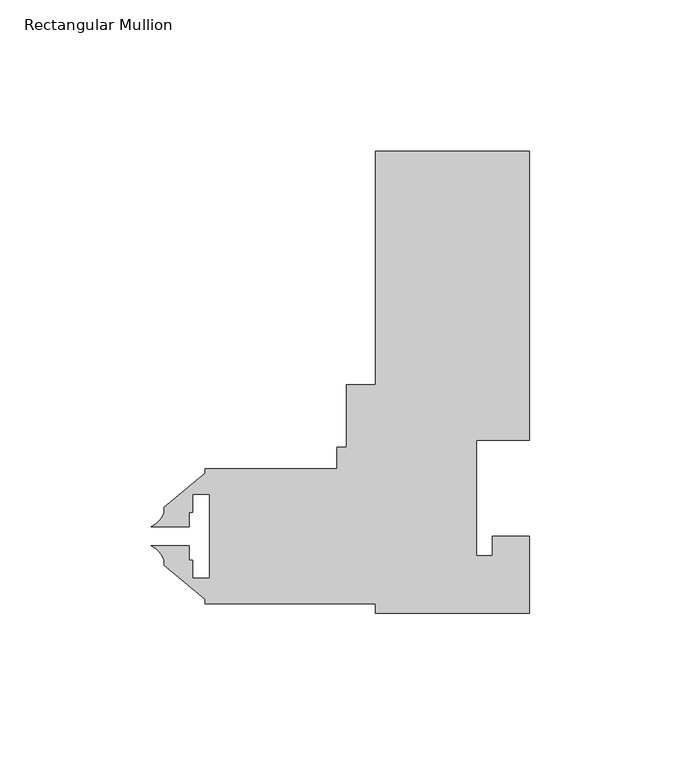
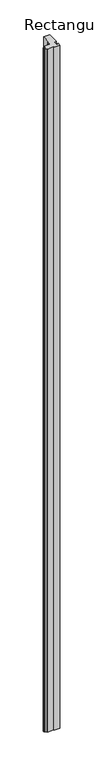
"""IFC4 building model written with IfcOpenShell, lengths in millimetres: member geometry, Rectangular Mullion."""

from ifc_helpers import new_model, si_unit, point, frame, frame_2d, origin, place, context, project, spatial, polyline, circle_curve, trimmed, segment, composite_curve, outline, extrude, source, transform, mapped, element, save


def rectangular_mullion_dde9267b(model_context):
    return source(origin(), model_context, "Body", "SweptSolid", [
        extrude(outline(composite_curve([segment(polyline([(-25.4, 75.4126), (-25.4, 152.4), (25.4, 152.4), (25.4, 57.15), (7.9502, 57.15), (7.9502, 19.05), (13.2080102, 19.05), (13.2080102, 25.4), (25.4, 25.4), (25.4, 0.0), (-25.4, 0.0), (-25.4, 3.175), (-81.75625, 3.175), (-81.75625, 4.5691667), (-95.21825, 15.865126), (-95.21825, 17.5532603)]), True, "CONTINUOUS"), segment(trimmed(circle_curve(frame_2d((-102.5942524, 15.1631039)), 7.7535965), [point((-95.21825, 17.5532603))], [point((-99.4160584, 22.2353979))], True, "CARTESIAN"), True, "CONTINUOUS"), segment(polyline([(-99.4160584, 22.2353979), (-86.92348, 22.2353979), (-86.92348, 17.47266), (-85.79485, 17.47266), (-85.79485, 11.50366), (-80.18145, 11.50366), (-80.18145, 39.29126), (-85.79485, 39.29126), (-85.79485, 33.32226), (-86.92348, 33.32226), (-86.92348, 28.5595155), (-99.4160731, 28.5595155)]), True, "CONTINUOUS"), segment(trimmed(circle_curve(frame_2d((-102.5942524, 35.6318161)), 7.7535965), [point((-99.4160731, 28.5595155))], [point((-95.21825, 33.2416597))], True, "CARTESIAN"), True, "CONTINUOUS"), segment(polyline([(-95.21825, 33.2416597), (-95.21825, 34.929794), (-81.75625, 46.2257533), (-81.75625, 47.625), (-38.1, 47.625), (-38.1, 54.7878), (-34.925, 54.7878), (-34.925, 75.4126), (-25.4, 75.4126)]), True, "CONTINUOUS")], self_intersect=False)), frame((0.0, 0.0, -6131.7153516), z_axis=(0.0, 0.0, 1.0), x_axis=(1.0, 0.0, 0.0)), (0.0, 0.0, 1.0), 6131.7153516),
    ])


if __name__ == "__main__":
    model = new_model("IFC4")
    model_context = context("Model", 3, world=origin())
    ifc_project = project(units=[si_unit("LENGTHUNIT", "METRE", prefix="MILLI")], contexts=[model_context])
    site = spatial("IfcSite", under=ifc_project)
    building = spatial("IfcBuilding", under=site)
    placement = place(None, origin())
    rectangular_mullion_shape = rectangular_mullion_dde9267b(model_context)
    element("IfcMember", 1, ObjectType="Rectangular Mullion", at=placement, inside=building, context=model_context, shape_type="MappedRepresentation", body=[
        mapped(rectangular_mullion_shape, transform((0.0, 0.0, 0.0), x_axis=(1.0, 0.0, 0.0), y_axis=(0.0, 1.0, 0.0), z_axis=(0.0, 0.0, 1.0))),
    ])
    save(model, "model.ifc")
